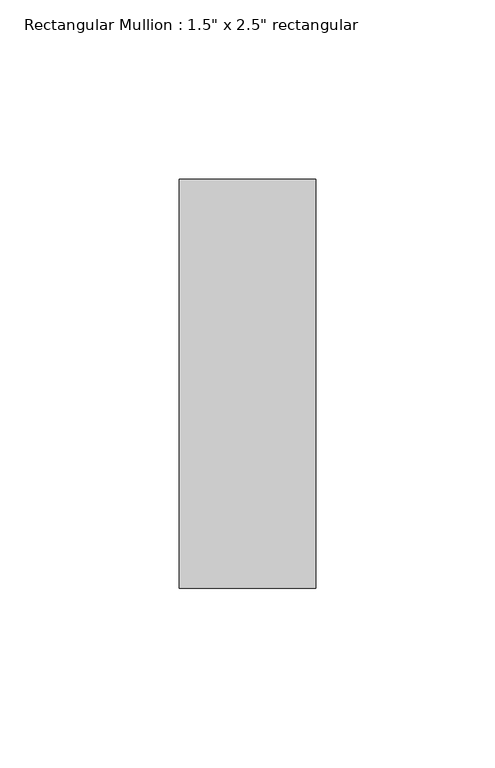
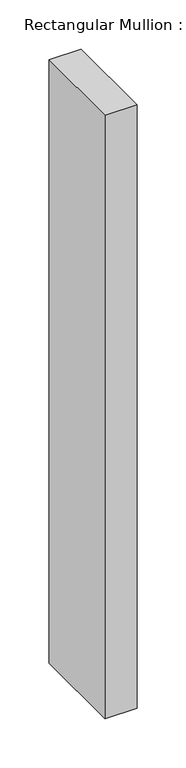
"""IFC4 building model written with IfcOpenShell, lengths in millimetres: member geometry."""

from ifc_helpers import new_model, si_unit, frame, origin, place, context, project, spatial, polyline, outline, extrude, source, transform, mapped, element, save


def member_36cce8e5(model_context):
    return source(origin(), model_context, "Body", "SweptSolid", [
        extrude(outline(polyline([(0.0, 57.15), (0.0, -57.15), (-38.1, -57.15), (-38.1, 57.15), (0.0, 57.15)])), frame((0.0, 0.0, -751.4166667), z_axis=(0.0, 0.0, 1.0), x_axis=(1.0, 0.0, 0.0)), (0.0, 0.0, 1.0), 751.4166667),
    ])


if __name__ == "__main__":
    model = new_model("IFC4")
    model_context = context("Model", 3, world=origin())
    ifc_project = project(units=[si_unit("LENGTHUNIT", "METRE", prefix="MILLI")], contexts=[model_context])
    site = spatial("IfcSite", under=ifc_project)
    building = spatial("IfcBuilding", under=site)
    placement = place(None, origin())
    member_shape = member_36cce8e5(model_context)
    element("IfcMember", 1, ObjectType="Rectangular Mullion : 1.5\" x 2.5\" rectangular", at=placement, inside=building, context=model_context, shape_type="MappedRepresentation", body=[
        mapped(member_shape, transform((0.0, 0.0, 0.0), x_axis=(1.0, 0.0, 0.0), y_axis=(0.0, 1.0, 0.0), z_axis=(0.0, 0.0, 1.0))),
    ])
    save(model, "model.ifc")
